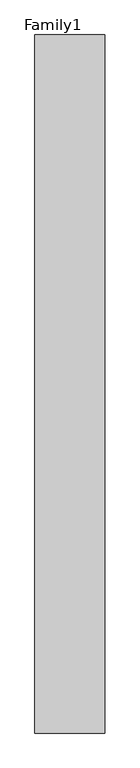
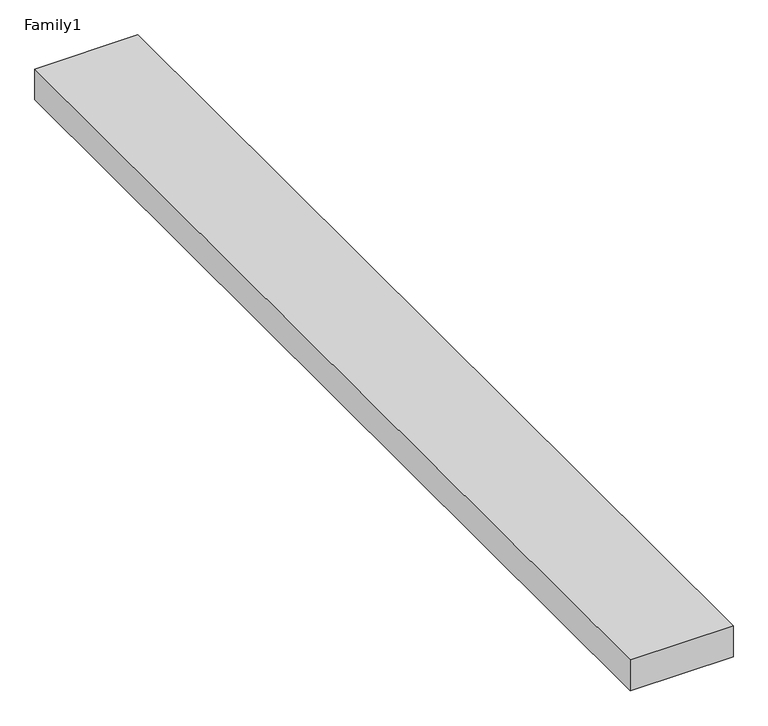
"""IFC4 building model written with IfcOpenShell, lengths in millimetres: proxy geometry, Family1."""

from ifc_helpers import new_model, si_unit, origin, origin_with_axes, place, context, project, spatial, polyline, outline, extrude, source, transform, mapped, element, save


def family1_2c96ef30(model_context):
    return source(origin(), model_context, "Body", "SweptSolid", [
        extrude(outline(polyline([(5000.0, 0.0), (0.0, 0.0), (0.0, 50000.0), (5000.0, 50000.0), (5000.0, 0.0)])), origin_with_axes(), (0.0, 0.0, 1.0), 1585.0),
    ])


if __name__ == "__main__":
    model = new_model("IFC4")
    model_context = context("Model", 3, world=origin())
    ifc_project = project(units=[si_unit("LENGTHUNIT", "METRE", prefix="MILLI")], contexts=[model_context])
    site = spatial("IfcSite", under=ifc_project)
    building = spatial("IfcBuilding", under=site)
    placement = place(None, origin())
    family1_shape = family1_2c96ef30(model_context)
    element("IfcBuildingElementProxy", 1, Name="Family1", ObjectType="Family1", at=placement, inside=building, context=model_context, shape_type="MappedRepresentation", body=[
        mapped(family1_shape, transform((0.0, 0.0, 0.0), x_axis=(1.0, 0.0, 0.0), y_axis=(0.0, 1.0, 0.0), z_axis=(0.0, 0.0, 1.0))),
    ])
    save(model, "model.ifc")
